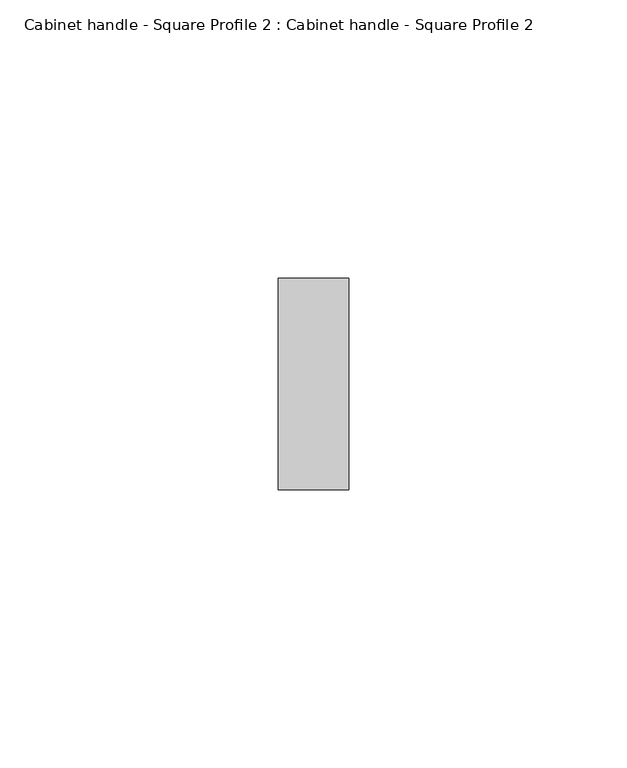
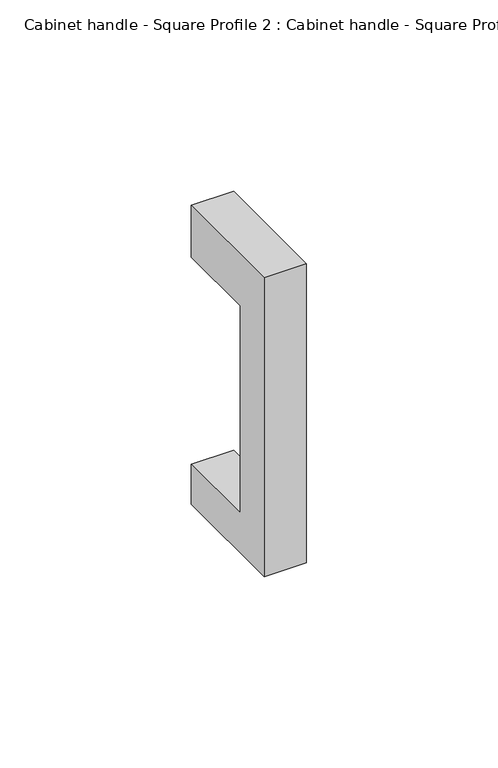
"""IFC4 building model written with IfcOpenShell, lengths in millimetres: furniture geometry, Cabinet handle - Square Profile 2 : Cabinet handle - Square Profile 2."""

from ifc_helpers import new_model, si_unit, frame, origin, place, context, project, spatial, polyline, outline, extrude, source, transform, mapped, element, save


def cabinet_handle_square_profile_2_cabinet_handle_square_5dee9ea3(model_context):
    return source(origin(), model_context, "Body", "SweptSolid", [
        extrude(outline(polyline([(-609.6, 0.0), (-609.6, 95.25), (-571.5, 95.25), (-571.5, 78.651108), (-596.9159299, 78.651108), (-596.9159299, 12.6840701), (-571.5, 12.6840701), (-571.5, 0.0), (-609.6, 0.0)])), frame((12.3877049, 0.0, 0.0), z_axis=(1.0, 0.0, 0.0), x_axis=(0.0, 1.0, 0.0)), (0.0, 0.0, 1.0), 12.7),
    ])


if __name__ == "__main__":
    model = new_model("IFC4")
    model_context = context("Model", 3, world=origin())
    ifc_project = project(units=[si_unit("LENGTHUNIT", "METRE", prefix="MILLI")], contexts=[model_context])
    site = spatial("IfcSite", under=ifc_project)
    building = spatial("IfcBuilding", under=site)
    placement = place(None, origin())
    cabinet_handle_square_profile_2_cabinet_handle_square_shape = cabinet_handle_square_profile_2_cabinet_handle_square_5dee9ea3(model_context)
    element("IfcFurniture", 1, ObjectType="Cabinet handle - Square Profile 2 : Cabinet handle - Square Profile 2", at=placement, inside=building, context=model_context, shape_type="MappedRepresentation", body=[
        mapped(cabinet_handle_square_profile_2_cabinet_handle_square_shape, transform((0.0, 0.0, 0.0), x_axis=(1.0, 0.0, 0.0), y_axis=(0.0, 1.0, 0.0), z_axis=(0.0, 0.0, 1.0))),
    ])
    save(model, "model.ifc")
